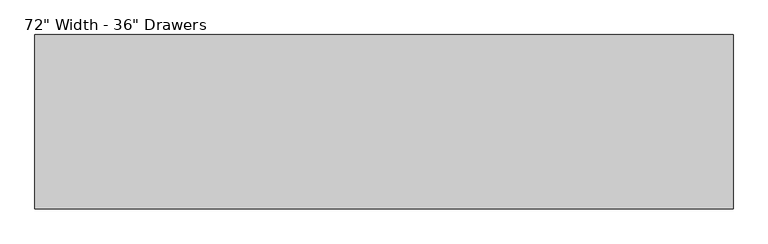
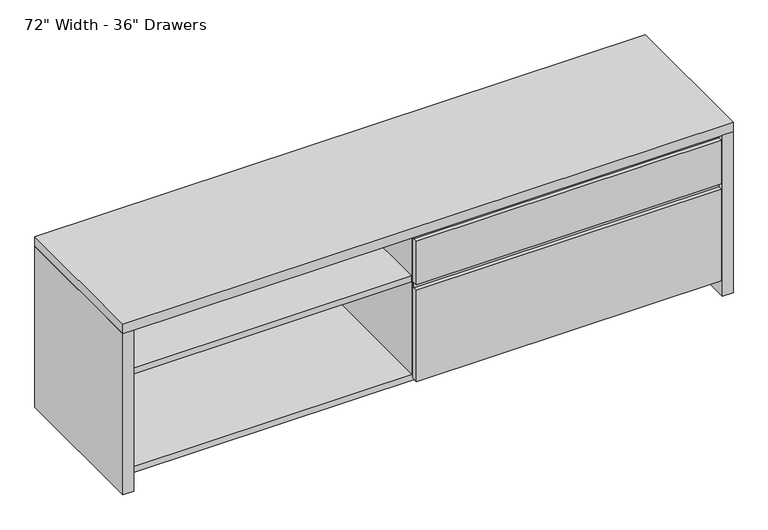
"""IFC4 building model written with IfcOpenShell, lengths in millimetres: furniture geometry."""

from ifc_helpers import new_model, si_unit, frame, origin, origin_with_axes, place, context, project, spatial, polyline, outline, extrude, source, transform, mapped, element, save


def furniture_341fb8a3(model_context):
    return source(origin(), model_context, "Body", "SweptSolid", [
        extrude(outline(polyline([(-438.15, 50.8), (-457.2, 50.8), (-457.2, 339.725), (-444.5, 339.725), (-444.5, 354.0125), (-438.15, 354.0125), (-438.15, 50.8)])), frame((-187.325, 0.0, 0.0), z_axis=(1.0, 0.0, 0.0), x_axis=(0.0, 1.0, 0.0)), (0.0, 0.0, 1.0), 914.4),
        extrude(outline(polyline([(-438.15, 357.1875), (-457.2, 357.1875), (-457.2, 495.3), (-444.5, 495.3), (-444.5, 509.5875), (-438.15, 509.5875), (-438.15, 357.1875)])), frame((-187.325, 0.0, 0.0), z_axis=(1.0, 0.0, 0.0), x_axis=(0.0, 1.0, 0.0)), (0.0, 0.0, 1.0), 914.4),
        extrude(outline(polyline([(-190.5, -19.05), (-190.5, -436.5625), (-1035.05, -436.5625), (-1035.05, -19.05), (-190.5, -19.05)])), frame((0.0, 0.0, 355.6), z_axis=(0.0, 0.0, 1.0), x_axis=(1.0, 0.0, 0.0)), (0.0, 0.0, 1.0), 19.05),
        extrude(outline(polyline([(730.25, -19.05), (730.25, -436.5625), (-171.45, -436.5625), (-171.45, -19.05), (730.25, -19.05)])), frame((0.0, 0.0, 355.6), z_axis=(0.0, 0.0, 1.0), x_axis=(1.0, 0.0, 0.0)), (0.0, 0.0, 1.0), 19.05),
        extrude(outline(polyline([(-438.15, 44.45), (-438.15, 63.5), (-19.05, 63.5), (-19.05, 44.45), (-20.6375, 44.45), (-20.6375, 61.9125), (-436.5625, 61.9125), (-436.5625, 44.45), (-438.15, 44.45)])), frame((-1035.05, 0.0, 0.0), z_axis=(1.0, 0.0, 0.0), x_axis=(0.0, 1.0, 0.0)), (0.0, 0.0, 1.0), 1765.3),
        extrude(outline(polyline([(-171.45, -438.15), (-190.5, -438.15), (-190.5, -19.05), (-171.45, -19.05), (-171.45, -438.15)])), frame((0.0, 0.0, 63.5), z_axis=(0.0, 0.0, 1.0), x_axis=(1.0, 0.0, 0.0)), (0.0, 0.0, 1.0), 446.0875),
        extrude(outline(polyline([(-1066.8, 0.0), (-1035.05, 0.0), (-1035.05, -457.2), (-1066.8, -457.2), (-1066.8, 0.0)])), origin_with_axes(), (0.0, 0.0, 1.0), 509.5875),
        extrude(outline(polyline([(762.0, -457.2), (730.25, -457.2), (730.25, 0.0), (762.0, 0.0), (762.0, -457.2)])), origin_with_axes(), (0.0, 0.0, 1.0), 509.5875),
        extrude(outline(polyline([(762.0, 0.0), (762.0, -457.2), (-1066.8, -457.2), (-1066.8, 0.0), (762.0, 0.0)])), frame((0.0, 0.0, 509.5875), z_axis=(0.0, 0.0, 1.0), x_axis=(1.0, 0.0, 0.0)), (0.0, 0.0, 1.0), 30.1625),
        extrude(outline(polyline([(730.25, 0.0), (730.25, -19.05), (-1035.05, -19.05), (-1035.05, 0.0), (730.25, 0.0)])), frame((0.0, 0.0, 44.45), z_axis=(0.0, 0.0, 1.0), x_axis=(1.0, 0.0, 0.0)), (0.0, 0.0, 1.0), 465.1375),
    ])


if __name__ == "__main__":
    model = new_model("IFC4")
    model_context = context("Model", 3, world=origin())
    ifc_project = project(units=[si_unit("LENGTHUNIT", "METRE", prefix="MILLI")], contexts=[model_context])
    site = spatial("IfcSite", under=ifc_project)
    building = spatial("IfcBuilding", under=site)
    placement = place(None, origin())
    furniture_shape = furniture_341fb8a3(model_context)
    element("IfcFurniture", 1, ObjectType="72\" Width - 36\" Drawers", at=placement, inside=building, context=model_context, shape_type="MappedRepresentation", body=[
        mapped(furniture_shape, transform((0.0, 0.0, 0.0), x_axis=(1.0, 0.0, 0.0), y_axis=(0.0, 1.0, 0.0), z_axis=(0.0, 0.0, 1.0))),
    ])
    save(model, "model.ifc")
